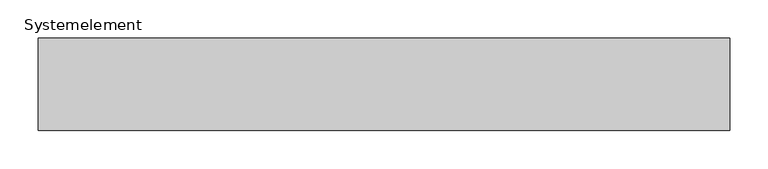
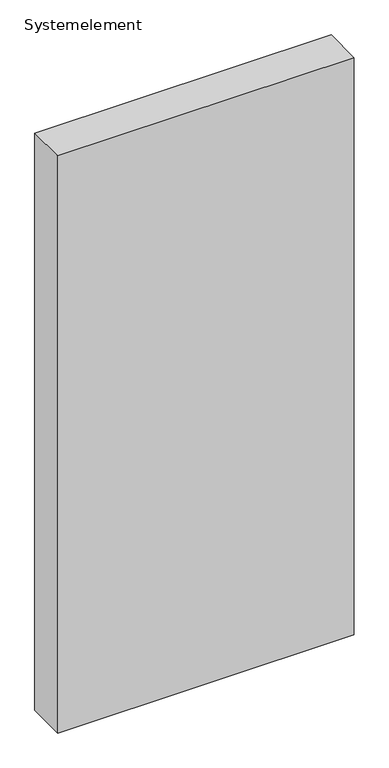
"""IFC4 building model written with IfcOpenShell, lengths in millimetres: plate geometry, Systemelement."""

from ifc_helpers import new_model, si_unit, origin, origin_with_axes, place, context, project, spatial, polyline, outline, extrude, source, transform, mapped, element, save


def systemelement_7ed819fe(model_context):
    return source(origin(), model_context, "Body", "SweptSolid", [
        extrude(outline(polyline([(450.0, -120.0), (-450.0, -120.0), (-450.0, 0.0), (450.0, 0.0), (450.0, -120.0)])), origin_with_axes(), (0.0, 0.0, 1.0), 1851.6147161),
    ])


if __name__ == "__main__":
    model = new_model("IFC4")
    model_context = context("Model", 3, world=origin())
    ifc_project = project(units=[si_unit("LENGTHUNIT", "METRE", prefix="MILLI")], contexts=[model_context])
    site = spatial("IfcSite", under=ifc_project)
    building = spatial("IfcBuilding", under=site)
    placement = place(None, origin())
    systemelement_shape = systemelement_7ed819fe(model_context)
    element("IfcPlate", 1, ObjectType="Systemelement", at=placement, inside=building, context=model_context, shape_type="MappedRepresentation", body=[
        mapped(systemelement_shape, transform((0.0, 0.0, 0.0), x_axis=(1.0, 0.0, 0.0), y_axis=(0.0, 1.0, 0.0), z_axis=(0.0, 0.0, 1.0))),
    ])
    save(model, "model.ifc")
